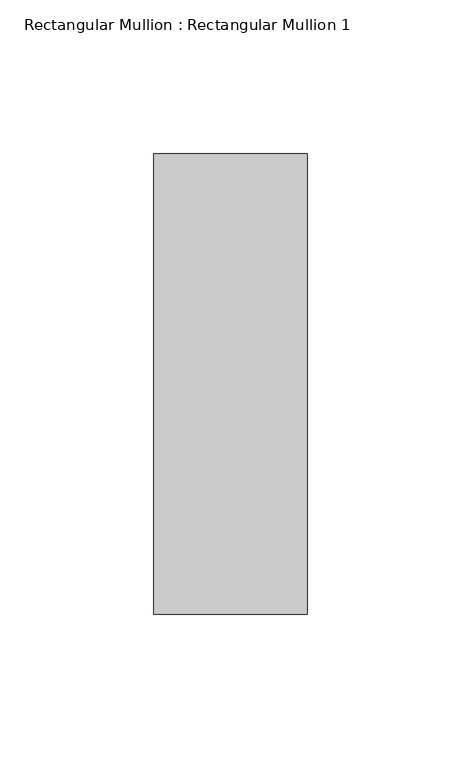
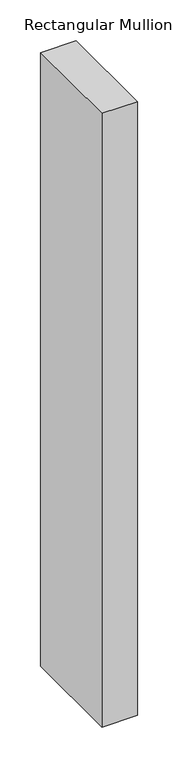
"""IFC4 building model written with IfcOpenShell, lengths in millimetres: member geometry, Rectangular Mullion : Rectangular Mullion 1."""

from ifc_helpers import new_model, si_unit, frame, origin, place, context, project, spatial, polyline, outline, extrude, source, transform, mapped, element, save


def rectangular_mullion_rectangular_mullion_1_94dfdfd7(model_context):
    return source(origin(), model_context, "Body", "SweptSolid", [
        extrude(outline(polyline([(25.0, 75.0), (25.0, -75.0), (-25.0, -75.0), (-25.0, 75.0), (25.0, 75.0)])), frame((0.0, 0.0, -916.6666667), z_axis=(0.0, 0.0, 1.0), x_axis=(1.0, 0.0, 0.0)), (0.0, 0.0, 1.0), 916.6666667),
    ])


if __name__ == "__main__":
    model = new_model("IFC4")
    model_context = context("Model", 3, world=origin())
    ifc_project = project(units=[si_unit("LENGTHUNIT", "METRE", prefix="MILLI")], contexts=[model_context])
    site = spatial("IfcSite", under=ifc_project)
    building = spatial("IfcBuilding", under=site)
    placement = place(None, origin())
    rectangular_mullion_rectangular_mullion_1_shape = rectangular_mullion_rectangular_mullion_1_94dfdfd7(model_context)
    element("IfcMember", 1, ObjectType="Rectangular Mullion : Rectangular Mullion 1", at=placement, inside=building, context=model_context, shape_type="MappedRepresentation", body=[
        mapped(rectangular_mullion_rectangular_mullion_1_shape, transform((0.0, 0.0, 0.0), x_axis=(1.0, 0.0, 0.0), y_axis=(0.0, 1.0, 0.0), z_axis=(0.0, 0.0, 1.0))),
    ])
    save(model, "model.ifc")
